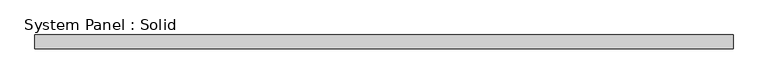
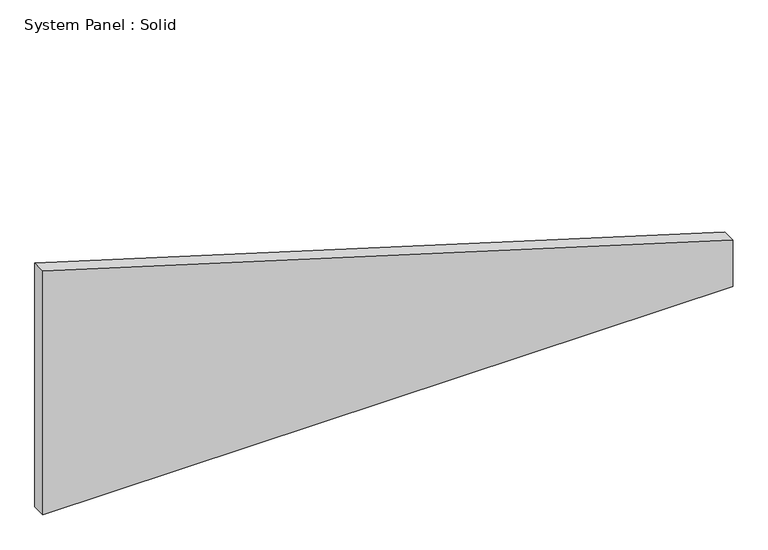
"""IFC4 building model written with IfcOpenShell, lengths in millimetres: plate geometry, System Panel : Solid."""

from ifc_helpers import new_model, si_unit, frame, origin, place, context, project, spatial, polyline, outline, extrude, source, transform, mapped, element, save


def system_panel_solid_09fc759f(model_context):
    return source(origin(), model_context, "Body", "SweptSolid", [
        extrude(outline(polyline([(0.0, -1500.0), (0.0, 1500.0), (213.8805306, 1500.0), (1121.0767515, -1500.0), (0.0, -1500.0)])), frame((0.0, -10.5, 0.0), z_axis=(0.0, 1.0, 0.0), x_axis=(0.0, 0.0, 1.0)), (0.0, 0.0, 1.0), 60.0),
    ])


if __name__ == "__main__":
    model = new_model("IFC4")
    model_context = context("Model", 3, world=origin())
    ifc_project = project(units=[si_unit("LENGTHUNIT", "METRE", prefix="MILLI")], contexts=[model_context])
    site = spatial("IfcSite", under=ifc_project)
    building = spatial("IfcBuilding", under=site)
    placement = place(None, origin())
    system_panel_solid_shape = system_panel_solid_09fc759f(model_context)
    element("IfcPlate", 1, ObjectType="System Panel : Solid", at=placement, inside=building, context=model_context, shape_type="MappedRepresentation", body=[
        mapped(system_panel_solid_shape, transform((0.0, 0.0, 0.0), x_axis=(1.0, 0.0, 0.0), y_axis=(0.0, 1.0, 0.0), z_axis=(0.0, 0.0, 1.0))),
    ])
    save(model, "model.ifc")
